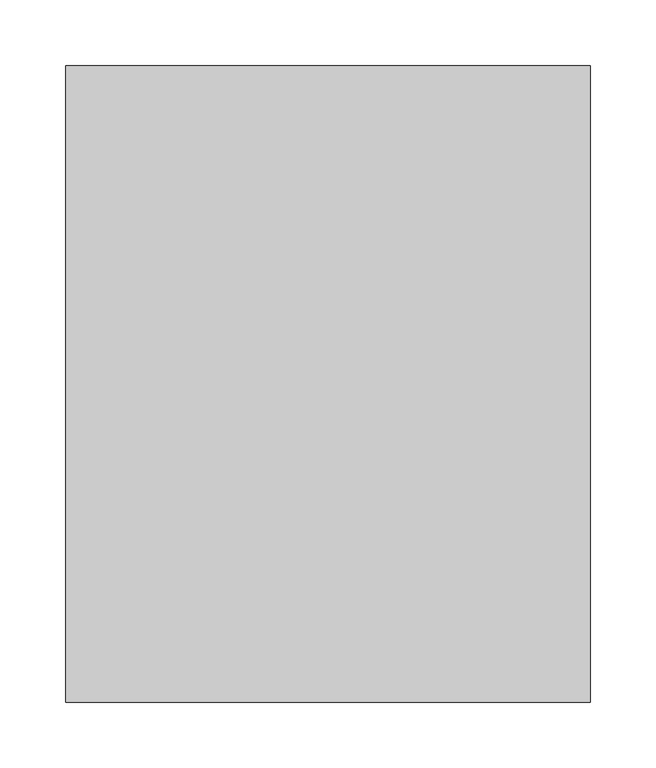
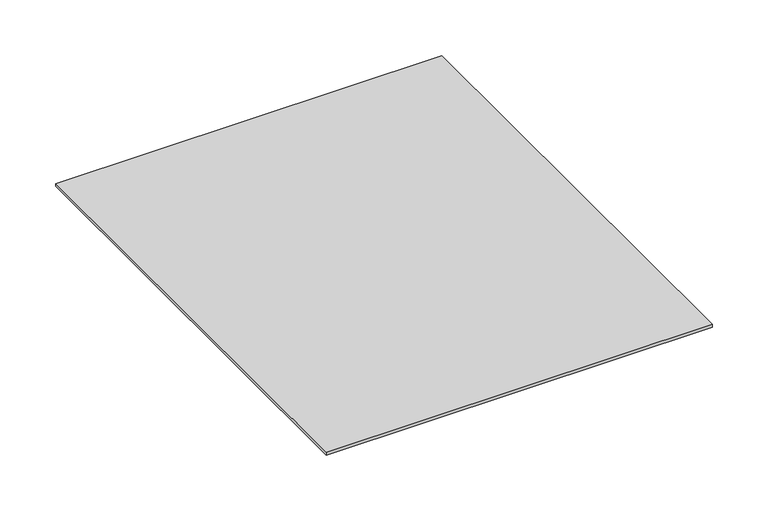
"""IFC4 building model written with IfcOpenShell, lengths in millimetres: furniture geometry."""

import ifcopenshell
import ifcopenshell.guid

model = None  # the IFC model being written
_history = None  # IfcOwnerHistory: only IFC2X3 demands one
_inside = {}  # id of a spatial element -> (the spatial element, [elements in it])
_under = {}  # id of a project, library or spatial element -> (it, [spatial elements below it])
_declared = {}  # id of a project -> (the project, [libraries it declares])
_typed = {}  # id of a type object -> (the type object, [elements of that type])
_made_of = {}  # id of a material, layer set ... -> (it, [elements and type objects made of it])


def new_model(schema):
    """Start an empty IFC model of exactly this schema.

    Asked for "IFC4X3", IfcOpenShell would pick the latest addendum, in which some entities
    have other attributes; the version numbers below select the first issue.
    IFC2X3 requires an IfcOwnerHistory on every rooted entity: one is made here for all.
    """
    global model, _history
    if schema == "IFC4X3":
        model = ifcopenshell.file(schema_version=(4, 3, 0, 0))
    else:
        model = ifcopenshell.file(schema=schema)
    _inside.clear()
    _under.clear()
    _declared.clear()
    _typed.clear()
    _made_of.clear()
    _history = None
    if model.schema == "IFC2X3":
        org = make("IfcOrganization", Name="unknown")
        user = make(
            "IfcPersonAndOrganization",
            ThePerson=make("IfcPerson", FamilyName="unknown"),
            TheOrganization=org,
        )
        app = make(
            "IfcApplication",
            ApplicationDeveloper=org,
            Version="unknown",
            ApplicationFullName="unknown",
            ApplicationIdentifier="unknown",
        )
        _history = make(
            "IfcOwnerHistory",
            OwningUser=user,
            OwningApplication=app,
            ChangeAction="ADDED",
            CreationDate=0,
        )
    return model


def make(cls, **values):
    """One entity of the class cls with the attributes given. An attribute that is None is left unset."""
    return model.create_entity(
        cls, **{name: value for name, value in values.items() if value is not None}
    )


def rooted(cls, **values):
    """An entity with a GlobalId (a new one), such as an element, a storey or a relation."""
    return make(cls, GlobalId=ifcopenshell.guid.new(), OwnerHistory=_history, **values)


def si_unit(unit_type, name, prefix=None):
    """IfcSIUnit, for example si_unit("LENGTHUNIT", "METRE", prefix="MILLI")."""
    return make("IfcSIUnit", UnitType=unit_type, Prefix=prefix, Name=name)


def assignment(units):
    """IfcUnitAssignment: the units of a project."""
    return None if units is None else make("IfcUnitAssignment", Units=units)


def point(xyz):
    """IfcCartesianPoint."""
    return None if xyz is None else make("IfcCartesianPoint", Coordinates=xyz)


def direction(xyz):
    """IfcDirection."""
    return None if xyz is None else make("IfcDirection", DirectionRatios=xyz)


def frame(location, z_axis=None, x_axis=None):
    """IfcAxis2Placement3D, a coordinate frame: its origin and axes. An axis left out is left unset."""
    return make(
        "IfcAxis2Placement3D",
        Location=point(location),
        Axis=direction(z_axis),
        RefDirection=direction(x_axis),
    )


def origin():
    """The frame at (0, 0, 0) with its axes left unset."""
    return frame((0.0, 0.0, 0.0))


def place(relative_to, where):
    """IfcLocalPlacement: puts the frame where relative to a parent placement (None: the world)."""
    return make(
        "IfcLocalPlacement", PlacementRelTo=relative_to, RelativePlacement=where
    )


def context(
    kind, dimensions, precision=None, world=None, true_north=None, identifier=None
):
    """IfcGeometricRepresentationContext, for example the 3D "Model" context."""
    return make(
        "IfcGeometricRepresentationContext",
        ContextIdentifier=identifier,
        ContextType=kind,
        CoordinateSpaceDimension=dimensions,
        Precision=precision,
        WorldCoordinateSystem=world,
        TrueNorth=true_north,
    )


def project(units=None, contexts=None):
    """IfcProject with its units and contexts."""
    return rooted(
        "IfcProject",
        Name="project",
        RepresentationContexts=contexts,
        UnitsInContext=assignment(units),
    )


def spatial(cls, under=None, at=None, **own):
    """A site, building, storey or space (cls), placed at a placement, below another one or the project."""
    s = rooted(cls, ObjectPlacement=at, **own)
    if under is not None:
        _under.setdefault(under.id(), (under, []))[1].append(s)
    return s


def polyline(points):
    """IfcPolyline through the points."""
    return make("IfcPolyline", Points=[point(p) for p in points])


def outline(outer, holes=None, kind="AREA"):
    """IfcArbitraryClosedProfileDef: a profile drawn as a closed curve; with holes, ...WithVoids."""
    if holes is None:
        return make("IfcArbitraryClosedProfileDef", ProfileType=kind, OuterCurve=outer)
    return make(
        "IfcArbitraryProfileDefWithVoids",
        ProfileType=kind,
        OuterCurve=outer,
        InnerCurves=holes,
    )


def extrude(swept, where, along, depth):
    """IfcExtrudedAreaSolid: the profile swept, set in the frame where, extruded along a direction by depth."""
    return make(
        "IfcExtrudedAreaSolid",
        SweptArea=swept,
        Position=where,
        ExtrudedDirection=direction(along),
        Depth=depth,
    )


def shape(context_of_items, identifier, shape_type, items):
    """IfcShapeRepresentation: the items that make up one representation, for example the "Body"."""
    return make(
        "IfcShapeRepresentation",
        ContextOfItems=context_of_items,
        RepresentationIdentifier=identifier,
        RepresentationType=shape_type,
        Items=items,
    )


def source(mapping_origin, context_of_items, identifier, shape_type, items):
    """IfcRepresentationMap: a shape defined once, which mapped items show again and again."""
    return make(
        "IfcRepresentationMap",
        MappingOrigin=mapping_origin,
        MappedRepresentation=shape(context_of_items, identifier, shape_type, items),
    )


def transform(
    local_origin,
    x_axis=None,
    y_axis=None,
    z_axis=None,
    scale=None,
    scale2=None,
    scale3=None,
    uniform=True,
):
    """IfcCartesianTransformationOperator3D, or its non-uniform kind. x_axis, y_axis, z_axis: its Axis1, 2, 3."""
    if uniform:
        return make(
            "IfcCartesianTransformationOperator3D",
            Axis1=direction(x_axis),
            Axis2=direction(y_axis),
            LocalOrigin=point(local_origin),
            Scale=scale,
            Axis3=direction(z_axis),
        )
    return make(
        "IfcCartesianTransformationOperator3DnonUniform",
        Axis1=direction(x_axis),
        Axis2=direction(y_axis),
        LocalOrigin=point(local_origin),
        Scale=scale,
        Axis3=direction(z_axis),
        Scale2=scale2,
        Scale3=scale3,
    )


def mapped(mapping_source, mapping_target):
    """IfcMappedItem: shows the shape of a source again, moved by a transform."""
    return make(
        "IfcMappedItem", MappingSource=mapping_source, MappingTarget=mapping_target
    )


def made_of(thing, what):
    """Note that an element or type object is made of a material, layer set ...; save() writes the relation."""
    if what is not None:
        _made_of.setdefault(what.id(), (what, []))[1].append(thing)
    return thing


def element(
    cls,
    number,
    at=None,
    inside=None,
    cuts=None,
    type_object=None,
    material=None,
    context=None,
    identifier="Body",
    shape_type=None,
    held_by="IfcProductDefinitionShape",
    body=None,
    shapes=None,
    **own,
):
    """One element of the class cls, such as IfcWall. Its Tag is "e" and its number.

    at: its placement. inside: the storey or other place that contains it. cuts: it is an
    opening in that element (IfcRelVoidsElement). A single representation is given by context,
    identifier, shape_type and body (its items); several are given by shapes. held_by: the class
    of the entity that holds the representations. save() writes the other relations.
    """
    e = rooted(cls, Tag="e%d" % number, ObjectPlacement=at, **own)
    if body is not None:
        shapes = [shape(context, identifier, shape_type, body)]
    if shapes is not None:
        e.Representation = make(held_by, Representations=shapes)
    if inside is not None:
        _inside.setdefault(inside.id(), (inside, []))[1].append(e)
    if cuts is not None:
        rooted(
            "IfcRelVoidsElement", RelatingBuildingElement=cuts, RelatedOpeningElement=e
        )
    if type_object is not None:
        _typed.setdefault(type_object.id(), (type_object, []))[1].append(e)
    return made_of(e, material)


def aggregate(whole, parts):
    """IfcRelAggregates: a whole, such as a stair, and the parts it consists of."""
    return rooted("IfcRelAggregates", RelatingObject=whole, RelatedObjects=parts)


def save(model, path):
    """Write the relations noted so far, then the file.

    IfcRelAggregates (storeys below a building ...), IfcRelContainedInSpatialStructure (elements
    in a storey), IfcRelDefinesByType, IfcRelAssociatesMaterial and IfcRelDeclares: one each for
    every whole, place, type object, material and project.
    """
    for whole, parts in _under.values():
        aggregate(whole, parts)
    for where, things in _inside.values():
        rooted(
            "IfcRelContainedInSpatialStructure",
            RelatedElements=things,
            RelatingStructure=where,
        )
    for kind, things in _typed.values():
        rooted("IfcRelDefinesByType", RelatedObjects=things, RelatingType=kind)
    for what, things in _made_of.values():
        rooted("IfcRelAssociatesMaterial", RelatedObjects=things, RelatingMaterial=what)
    for by, libraries in _declared.values():
        rooted("IfcRelDeclares", RelatingContext=by, RelatedDefinitions=libraries)
    model.write(path)


def furniture_f71b6558(model_context):
    return source(origin(), model_context, "Body", "SweptSolid", [
        extrude(outline(polyline([(-200.0, 245.0), (200.0, 245.0), (200.0, -240.5), (-200.0, -240.5), (-200.0, 245.0)])), frame((0.0, 0.0, -1.5), z_axis=(0.0, 0.0, 1.0), x_axis=(1.0, 0.0, 0.0)), (0.0, 0.0, 1.0), 3.0),
    ])


if __name__ == "__main__":
    model = new_model("IFC4")
    model_context = context("Model", 3, world=origin())
    ifc_project = project(units=[si_unit("LENGTHUNIT", "METRE", prefix="MILLI")], contexts=[model_context])
    site = spatial("IfcSite", under=ifc_project)
    building = spatial("IfcBuilding", under=site)
    placement = place(None, origin())
    furniture_shape = furniture_f71b6558(model_context)
    element("IfcFurniture", 1, at=placement, inside=building, context=model_context, shape_type="MappedRepresentation", body=[
        mapped(furniture_shape, transform((0.0, 0.0, 0.0), x_axis=(1.0, 0.0, 0.0), y_axis=(0.0, 1.0, 0.0), z_axis=(0.0, 0.0, 1.0))),
    ])
    save(model, "model.ifc")
